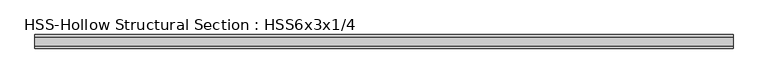
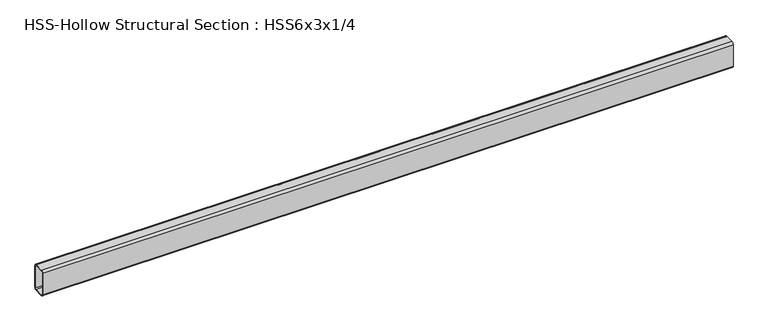
"""IFC4 building model written with IfcOpenShell, lengths in millimetres: beam geometry, HSS-Hollow Structural Section : HSS6x3x1/4."""

from ifc_helpers import new_model, si_unit, point, frame, frame_2d, origin, place, context, project, spatial, polyline, circle_curve, trimmed, segment, composite_curve, outline, extrude, source, transform, mapped, element, save


def hss_hollow_structural_section_hss6x3x1_4_fb387f9e(model_context):
    return source(origin(), model_context, "Body", "SweptSolid", [
        extrude(outline(composite_curve([segment(polyline([(38.1, 64.3636), (38.1, -64.3636)]), True, "CONTINUOUS"), segment(trimmed(circle_curve(frame_2d((26.2636, -64.3636)), 11.8364), [point((38.1, -64.3636))], [point((26.2636, -76.2))], False, "CARTESIAN"), True, "CONTINUOUS"), segment(polyline([(26.2636, -76.2), (-26.2636, -76.2)]), True, "CONTINUOUS"), segment(trimmed(circle_curve(frame_2d((-26.2636, -64.3636)), 11.8364), [point((-26.2636, -76.2))], [point((-38.1, -64.3636))], False, "CARTESIAN"), True, "CONTINUOUS"), segment(polyline([(-38.1, -64.3636), (-38.1, 64.3636)]), True, "CONTINUOUS"), segment(trimmed(circle_curve(frame_2d((-26.2636, 64.3636)), 11.8364), [point((-38.1, 64.3636))], [point((-26.2636, 76.2))], False, "CARTESIAN"), True, "CONTINUOUS"), segment(polyline([(-26.2636, 76.2), (26.2636, 76.2)]), True, "CONTINUOUS"), segment(trimmed(circle_curve(frame_2d((26.2636, 64.3636)), 11.8364), [point((26.2636, 76.2))], [point((38.1, 64.3636))], False, "CARTESIAN"), True, "CONTINUOUS")], self_intersect=False), holes=[composite_curve([segment(trimmed(circle_curve(frame_2d((-26.2636, 64.3636)), 5.9182), [point((-26.2636, 70.2818))], [point((-32.1818, 64.3636))], True, "CARTESIAN"), True, "CONTINUOUS"), segment(polyline([(-32.1818, 64.3636), (-32.1818, -64.3636)]), True, "CONTINUOUS"), segment(trimmed(circle_curve(frame_2d((-26.2636, -64.3636)), 5.9182), [point((-32.1818, -64.3636))], [point((-26.2636, -70.2818))], True, "CARTESIAN"), True, "CONTINUOUS"), segment(polyline([(-26.2636, -70.2818), (26.2636, -70.2818)]), True, "CONTINUOUS"), segment(trimmed(circle_curve(frame_2d((26.2636, -64.3636)), 5.9182), [point((26.2636, -70.2818))], [point((32.1818, -64.3636))], True, "CARTESIAN"), True, "CONTINUOUS"), segment(polyline([(32.1818, -64.3636), (32.1818, 64.3636)]), True, "CONTINUOUS"), segment(trimmed(circle_curve(frame_2d((26.2636, 64.3636)), 5.9182), [point((32.1818, 64.3636))], [point((26.2636, 70.2818))], True, "CARTESIAN"), True, "CONTINUOUS"), segment(polyline([(26.2636, 70.2818), (-26.2636, 70.2818)]), True, "CONTINUOUS")], self_intersect=False)]), frame((-1949.45, 0.0, 0.0), z_axis=(1.0, 0.0, 0.0), x_axis=(0.0, 1.0, 0.0)), (0.0, 0.0, 1.0), 3898.9),
    ])


if __name__ == "__main__":
    model = new_model("IFC4")
    model_context = context("Model", 3, world=origin())
    ifc_project = project(units=[si_unit("LENGTHUNIT", "METRE", prefix="MILLI")], contexts=[model_context])
    site = spatial("IfcSite", under=ifc_project)
    building = spatial("IfcBuilding", under=site)
    placement = place(None, origin())
    hss_hollow_structural_section_hss6x3x1_4_shape = hss_hollow_structural_section_hss6x3x1_4_fb387f9e(model_context)
    element("IfcBeam", 1, ObjectType="HSS-Hollow Structural Section : HSS6x3x1/4", at=placement, inside=building, context=model_context, shape_type="MappedRepresentation", body=[
        mapped(hss_hollow_structural_section_hss6x3x1_4_shape, transform((0.0, 0.0, 0.0), x_axis=(1.0, 0.0, 0.0), y_axis=(0.0, 1.0, 0.0), z_axis=(0.0, 0.0, 1.0))),
    ])
    save(model, "model.ifc")
